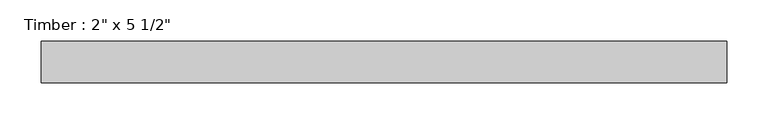
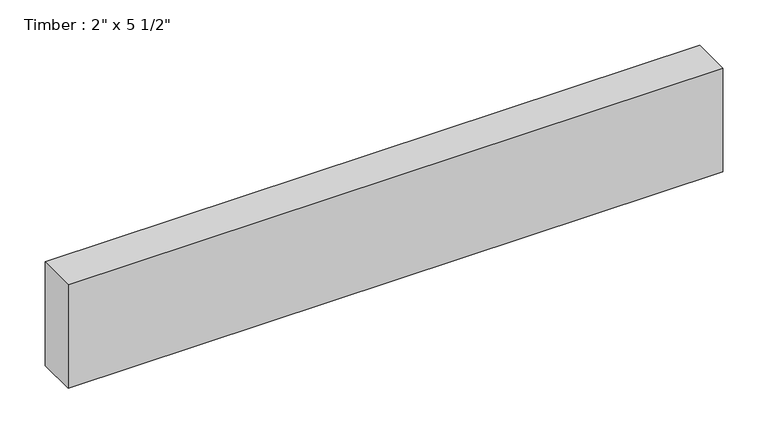
"""IFC4 building model written with IfcOpenShell, lengths in millimetres: beam geometry."""

import ifcopenshell
import ifcopenshell.guid

model = None  # the IFC model being written
_history = None  # IfcOwnerHistory: only IFC2X3 demands one
_inside = {}  # id of a spatial element -> (the spatial element, [elements in it])
_under = {}  # id of a project, library or spatial element -> (it, [spatial elements below it])
_declared = {}  # id of a project -> (the project, [libraries it declares])
_typed = {}  # id of a type object -> (the type object, [elements of that type])
_made_of = {}  # id of a material, layer set ... -> (it, [elements and type objects made of it])


def new_model(schema):
    """Start an empty IFC model of exactly this schema.

    Asked for "IFC4X3", IfcOpenShell would pick the latest addendum, in which some entities
    have other attributes; the version numbers below select the first issue.
    IFC2X3 requires an IfcOwnerHistory on every rooted entity: one is made here for all.
    """
    global model, _history
    if schema == "IFC4X3":
        model = ifcopenshell.file(schema_version=(4, 3, 0, 0))
    else:
        model = ifcopenshell.file(schema=schema)
    _inside.clear()
    _under.clear()
    _declared.clear()
    _typed.clear()
    _made_of.clear()
    _history = None
    if model.schema == "IFC2X3":
        org = make("IfcOrganization", Name="unknown")
        user = make(
            "IfcPersonAndOrganization",
            ThePerson=make("IfcPerson", FamilyName="unknown"),
            TheOrganization=org,
        )
        app = make(
            "IfcApplication",
            ApplicationDeveloper=org,
            Version="unknown",
            ApplicationFullName="unknown",
            ApplicationIdentifier="unknown",
        )
        _history = make(
            "IfcOwnerHistory",
            OwningUser=user,
            OwningApplication=app,
            ChangeAction="ADDED",
            CreationDate=0,
        )
    return model


def make(cls, **values):
    """One entity of the class cls with the attributes given. An attribute that is None is left unset."""
    return model.create_entity(
        cls, **{name: value for name, value in values.items() if value is not None}
    )


def rooted(cls, **values):
    """An entity with a GlobalId (a new one), such as an element, a storey or a relation."""
    return make(cls, GlobalId=ifcopenshell.guid.new(), OwnerHistory=_history, **values)


def si_unit(unit_type, name, prefix=None):
    """IfcSIUnit, for example si_unit("LENGTHUNIT", "METRE", prefix="MILLI")."""
    return make("IfcSIUnit", UnitType=unit_type, Prefix=prefix, Name=name)


def assignment(units):
    """IfcUnitAssignment: the units of a project."""
    return None if units is None else make("IfcUnitAssignment", Units=units)


def point(xyz):
    """IfcCartesianPoint."""
    return None if xyz is None else make("IfcCartesianPoint", Coordinates=xyz)


def direction(xyz):
    """IfcDirection."""
    return None if xyz is None else make("IfcDirection", DirectionRatios=xyz)


def frame(location, z_axis=None, x_axis=None):
    """IfcAxis2Placement3D, a coordinate frame: its origin and axes. An axis left out is left unset."""
    return make(
        "IfcAxis2Placement3D",
        Location=point(location),
        Axis=direction(z_axis),
        RefDirection=direction(x_axis),
    )


def origin():
    """The frame at (0, 0, 0) with its axes left unset."""
    return frame((0.0, 0.0, 0.0))


def place(relative_to, where):
    """IfcLocalPlacement: puts the frame where relative to a parent placement (None: the world)."""
    return make(
        "IfcLocalPlacement", PlacementRelTo=relative_to, RelativePlacement=where
    )


def context(
    kind, dimensions, precision=None, world=None, true_north=None, identifier=None
):
    """IfcGeometricRepresentationContext, for example the 3D "Model" context."""
    return make(
        "IfcGeometricRepresentationContext",
        ContextIdentifier=identifier,
        ContextType=kind,
        CoordinateSpaceDimension=dimensions,
        Precision=precision,
        WorldCoordinateSystem=world,
        TrueNorth=true_north,
    )


def project(units=None, contexts=None):
    """IfcProject with its units and contexts."""
    return rooted(
        "IfcProject",
        Name="project",
        RepresentationContexts=contexts,
        UnitsInContext=assignment(units),
    )


def spatial(cls, under=None, at=None, **own):
    """A site, building, storey or space (cls), placed at a placement, below another one or the project."""
    s = rooted(cls, ObjectPlacement=at, **own)
    if under is not None:
        _under.setdefault(under.id(), (under, []))[1].append(s)
    return s


def polyline(points):
    """IfcPolyline through the points."""
    return make("IfcPolyline", Points=[point(p) for p in points])


def outline(outer, holes=None, kind="AREA"):
    """IfcArbitraryClosedProfileDef: a profile drawn as a closed curve; with holes, ...WithVoids."""
    if holes is None:
        return make("IfcArbitraryClosedProfileDef", ProfileType=kind, OuterCurve=outer)
    return make(
        "IfcArbitraryProfileDefWithVoids",
        ProfileType=kind,
        OuterCurve=outer,
        InnerCurves=holes,
    )


def extrude(swept, where, along, depth):
    """IfcExtrudedAreaSolid: the profile swept, set in the frame where, extruded along a direction by depth."""
    return make(
        "IfcExtrudedAreaSolid",
        SweptArea=swept,
        Position=where,
        ExtrudedDirection=direction(along),
        Depth=depth,
    )


def shape(context_of_items, identifier, shape_type, items):
    """IfcShapeRepresentation: the items that make up one representation, for example the "Body"."""
    return make(
        "IfcShapeRepresentation",
        ContextOfItems=context_of_items,
        RepresentationIdentifier=identifier,
        RepresentationType=shape_type,
        Items=items,
    )


def source(mapping_origin, context_of_items, identifier, shape_type, items):
    """IfcRepresentationMap: a shape defined once, which mapped items show again and again."""
    return make(
        "IfcRepresentationMap",
        MappingOrigin=mapping_origin,
        MappedRepresentation=shape(context_of_items, identifier, shape_type, items),
    )


def transform(
    local_origin,
    x_axis=None,
    y_axis=None,
    z_axis=None,
    scale=None,
    scale2=None,
    scale3=None,
    uniform=True,
):
    """IfcCartesianTransformationOperator3D, or its non-uniform kind. x_axis, y_axis, z_axis: its Axis1, 2, 3."""
    if uniform:
        return make(
            "IfcCartesianTransformationOperator3D",
            Axis1=direction(x_axis),
            Axis2=direction(y_axis),
            LocalOrigin=point(local_origin),
            Scale=scale,
            Axis3=direction(z_axis),
        )
    return make(
        "IfcCartesianTransformationOperator3DnonUniform",
        Axis1=direction(x_axis),
        Axis2=direction(y_axis),
        LocalOrigin=point(local_origin),
        Scale=scale,
        Axis3=direction(z_axis),
        Scale2=scale2,
        Scale3=scale3,
    )


def mapped(mapping_source, mapping_target):
    """IfcMappedItem: shows the shape of a source again, moved by a transform."""
    return make(
        "IfcMappedItem", MappingSource=mapping_source, MappingTarget=mapping_target
    )


def made_of(thing, what):
    """Note that an element or type object is made of a material, layer set ...; save() writes the relation."""
    if what is not None:
        _made_of.setdefault(what.id(), (what, []))[1].append(thing)
    return thing


def element(
    cls,
    number,
    at=None,
    inside=None,
    cuts=None,
    type_object=None,
    material=None,
    context=None,
    identifier="Body",
    shape_type=None,
    held_by="IfcProductDefinitionShape",
    body=None,
    shapes=None,
    **own,
):
    """One element of the class cls, such as IfcWall. Its Tag is "e" and its number.

    at: its placement. inside: the storey or other place that contains it. cuts: it is an
    opening in that element (IfcRelVoidsElement). A single representation is given by context,
    identifier, shape_type and body (its items); several are given by shapes. held_by: the class
    of the entity that holds the representations. save() writes the other relations.
    """
    e = rooted(cls, Tag="e%d" % number, ObjectPlacement=at, **own)
    if body is not None:
        shapes = [shape(context, identifier, shape_type, body)]
    if shapes is not None:
        e.Representation = make(held_by, Representations=shapes)
    if inside is not None:
        _inside.setdefault(inside.id(), (inside, []))[1].append(e)
    if cuts is not None:
        rooted(
            "IfcRelVoidsElement", RelatingBuildingElement=cuts, RelatedOpeningElement=e
        )
    if type_object is not None:
        _typed.setdefault(type_object.id(), (type_object, []))[1].append(e)
    return made_of(e, material)


def aggregate(whole, parts):
    """IfcRelAggregates: a whole, such as a stair, and the parts it consists of."""
    return rooted("IfcRelAggregates", RelatingObject=whole, RelatedObjects=parts)


def save(model, path):
    """Write the relations noted so far, then the file.

    IfcRelAggregates (storeys below a building ...), IfcRelContainedInSpatialStructure (elements
    in a storey), IfcRelDefinesByType, IfcRelAssociatesMaterial and IfcRelDeclares: one each for
    every whole, place, type object, material and project.
    """
    for whole, parts in _under.values():
        aggregate(whole, parts)
    for where, things in _inside.values():
        rooted(
            "IfcRelContainedInSpatialStructure",
            RelatedElements=things,
            RelatingStructure=where,
        )
    for kind, things in _typed.values():
        rooted("IfcRelDefinesByType", RelatedObjects=things, RelatingType=kind)
    for what, things in _made_of.values():
        rooted("IfcRelAssociatesMaterial", RelatedObjects=things, RelatingMaterial=what)
    for by, libraries in _declared.values():
        rooted("IfcRelDeclares", RelatingContext=by, RelatedDefinitions=libraries)
    model.write(path)


def beam_48c231b6(model_context):
    return source(origin(), model_context, "Body", "SweptSolid", [
        extrude(outline(polyline([(421.8387354, 25.4), (421.8387354, -25.4), (-413.4705918, -25.4), (-413.4705918, 25.4), (421.8387354, 25.4)])), frame((0.0, 0.0, -69.85), z_axis=(0.0, 0.0, 1.0), x_axis=(1.0, 0.0, 0.0)), (0.0, 0.0, 1.0), 139.7),
    ])


if __name__ == "__main__":
    model = new_model("IFC4")
    model_context = context("Model", 3, world=origin())
    ifc_project = project(units=[si_unit("LENGTHUNIT", "METRE", prefix="MILLI")], contexts=[model_context])
    site = spatial("IfcSite", under=ifc_project)
    building = spatial("IfcBuilding", under=site)
    placement = place(None, origin())
    beam_shape = beam_48c231b6(model_context)
    element("IfcBeam", 1, ObjectType="Timber : 2\" x 5 1/2\"", at=placement, inside=building, context=model_context, shape_type="MappedRepresentation", body=[
        mapped(beam_shape, transform((0.0, 0.0, 0.0), x_axis=(1.0, 0.0, 0.0), y_axis=(0.0, 1.0, 0.0), z_axis=(0.0, 0.0, 1.0))),
    ])
    save(model, "model.ifc")
